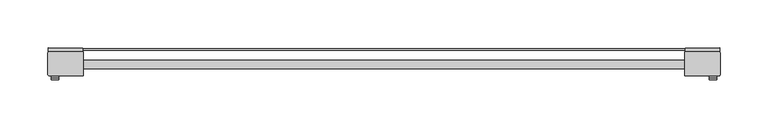
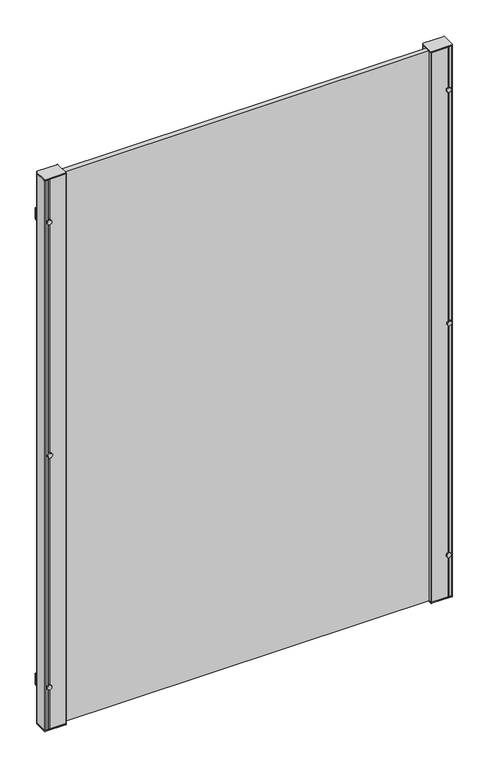
"""IFC4 building model written with IfcOpenShell, lengths in millimetres: railing geometry."""

from ifc_helpers import new_model, si_unit, point, frame, frame_2d, origin, place, context, project, spatial, polyline, circle_curve, trimmed, segment, composite_curve, outline, extrude, source, transform, mapped, element, save
from ifc_brep_helpers import plane_surface, cylinder_surface, advanced_brep


def railing_1e52f471(model_context):
    return source(origin(), model_context, "Body", "SolidModel", [
        extrude(outline(polyline([(-1429.7671701, -5232.6281736), (-1429.7671701, -5234.4918565), (-2099.7671701, -5234.4918565), (-2099.7671701, -5232.6281736), (-1429.7671701, -5232.6281736)])), frame((0.0, 0.0, 500.0), z_axis=(0.0, 0.0, 1.0), x_axis=(1.0, 0.0, 0.0)), (0.0, 0.0, 1.0), 1.1703418),
        extrude(outline(polyline([(-1429.7671701, -5245.2162394), (-1429.7671701, -5253.9762394), (-2099.7671701, -5253.9762394), (-2099.7671701, -5245.2162394), (-1429.7671701, -5245.2162394)])), frame((0.0, 0.0, 500.0), z_axis=(0.0, 0.0, 1.0), x_axis=(1.0, 0.0, 0.0)), (0.0, 0.0, 1.0), 999.0),
        extrude(outline(composite_curve([segment(trimmed(circle_curve(frame_2d((0.0, -4.0)), 4.0), [point((0.0, -8.0))], [point((0.0, 0.0))], False, "CARTESIAN"), True, "CONTINUOUS"), segment(trimmed(circle_curve(frame_2d((0.0, -4.0)), 4.0), [point((0.0, 0.0))], [point((0.0, -8.0))], False, "CARTESIAN"), True, "CONTINUOUS")], self_intersect=False)), frame((-2104.3883274, -5265.0962549, 1000.5851709), z_axis=(-0.007850271526078261, 0.9999691861437366, 0.0), x_axis=(0.0, 0.0, 1.0)), (0.0, 0.0, 1.0), 2.0),
        extrude(outline(composite_curve([segment(trimmed(circle_curve(frame_2d((0.0, -4.0024314)), 4.0024314), [point((0.0, -8.0048629))], [point((0.0, 0.0))], False, "CARTESIAN"), True, "CONTINUOUS"), segment(trimmed(circle_curve(frame_2d((0.0, -4.0024314)), 4.0024314), [point((0.0, 0.0))], [point((0.0, -8.0048629))], False, "CARTESIAN"), True, "CONTINUOUS")], self_intersect=False)), frame((-2112.3909705, -5263.1590181, 577.9289095), z_axis=(-0.007850271526078261, 0.9999691861437366, 0.0), x_axis=(0.0, 0.0, -1.0)), (0.0, 0.0, 1.0), 2.0),
        extrude(outline(polyline([(-2115.5512009, -5232.0860358), (-2079.2383888, -5232.3711101), (-2079.2697899, -5236.3709868), (-2115.582602, -5236.0859126), (-2115.5512009, -5232.0860358)])), frame((0.0, 0.0, 567.9289095), z_axis=(0.0, 0.0, 1.0), x_axis=(1.0, 0.0, 0.0)), (0.0, 0.0, 1.0), 20.0),
        extrude(outline(composite_curve([segment(trimmed(circle_curve(frame_2d((-2079.2671701, -5236.5962394)), 0.5), [point((-2079.4635803, -5236.1364318))], [point((-2078.7671701, -5236.5962394))], False, "CARTESIAN"), True, "CONTINUOUS"), segment(polyline([(-2078.7671701, -5236.5962394), (-2078.7671701, -5260.5962394)]), True, "CONTINUOUS"), segment(trimmed(circle_curve(frame_2d((-2079.2671701, -5260.5962394)), 0.5), [point((-2078.7671701, -5260.5962394))], [point((-2079.2671701, -5261.0962394))], False, "CARTESIAN"), True, "CONTINUOUS"), segment(polyline([(-2079.2671701, -5261.0962394), (-2114.2671701, -5261.0962394)]), True, "CONTINUOUS"), segment(trimmed(circle_curve(frame_2d((-2114.2671701, -5259.5962394)), 1.5), [point((-2114.2671701, -5261.0962394))], [point((-2115.7671701, -5259.5962394))], False, "CARTESIAN"), True, "CONTINUOUS"), segment(polyline([(-2115.7671701, -5259.5962394), (-2115.7671701, -5237.5962394)]), True, "CONTINUOUS"), segment(trimmed(circle_curve(frame_2d((-2114.2671701, -5237.5962394)), 1.5), [point((-2115.7671701, -5237.5962394))], [point((-2114.6120784, -5236.1364318))], False, "CARTESIAN"), True, "CONTINUOUS"), segment(polyline([(-2114.6120784, -5236.1364318), (-2079.4635803, -5236.1364318)]), True, "CONTINUOUS")], self_intersect=False)), frame((0.0, 0.0, 499.1703418), z_axis=(0.0, 0.0, 1.0), x_axis=(1.0, 0.0, 0.0)), (0.0, 0.0, 1.0), 2.0),
        extrude(outline(composite_curve([segment(trimmed(circle_curve(frame_2d((-2079.2671701, -5236.5962394)), 0.5), [point((-2079.4635803, -5236.1364318))], [point((-2078.7671701, -5236.5962394))], False, "CARTESIAN"), True, "CONTINUOUS"), segment(polyline([(-2078.7671701, -5236.5962394), (-2078.7671701, -5260.5962394)]), True, "CONTINUOUS"), segment(trimmed(circle_curve(frame_2d((-2079.2671701, -5260.5962394)), 0.5), [point((-2078.7671701, -5260.5962394))], [point((-2079.2671701, -5261.0962394))], False, "CARTESIAN"), True, "CONTINUOUS"), segment(polyline([(-2079.2671701, -5261.0962394), (-2114.2671701, -5261.0962394)]), True, "CONTINUOUS"), segment(trimmed(circle_curve(frame_2d((-2114.2671701, -5259.5962394)), 1.5), [point((-2114.2671701, -5261.0962394))], [point((-2115.7671701, -5259.5962394))], False, "CARTESIAN"), True, "CONTINUOUS"), segment(polyline([(-2115.7671701, -5259.5962394), (-2115.7671701, -5237.5962394)]), True, "CONTINUOUS"), segment(trimmed(circle_curve(frame_2d((-2114.2671701, -5237.5962394)), 1.5), [point((-2115.7671701, -5237.5962394))], [point((-2114.6120784, -5236.1364318))], False, "CARTESIAN"), True, "CONTINUOUS"), segment(polyline([(-2114.6120784, -5236.1364318), (-2079.4635803, -5236.1364318)]), True, "CONTINUOUS")], self_intersect=False)), frame((0.0, 0.0, 1500.0), z_axis=(0.0, 0.0, 1.0), x_axis=(1.0, 0.0, 0.0)), (0.0, 0.0, 1.0), 2.0),
        extrude(outline(composite_curve([segment(trimmed(circle_curve(frame_2d((0.0, -4.0024314)), 4.0024314), [point((0.0, -8.0048629))], [point((0.0, 0.0))], False, "CARTESIAN"), True, "CONTINUOUS"), segment(trimmed(circle_curve(frame_2d((0.0, -4.0024314)), 4.0024314), [point((0.0, 0.0))], [point((0.0, -8.0048629))], False, "CARTESIAN"), True, "CONTINUOUS")], self_intersect=False)), frame((-2112.3909705, -5263.1590181, 1423.2414322), z_axis=(-0.007850271526078261, 0.9999691861437366, 0.0), x_axis=(0.0, 0.0, -1.0)), (0.0, 0.0, 1.0), 2.0),
        extrude(outline(polyline([(-2115.5512009, -5232.0860358), (-2079.2383888, -5232.3711101), (-2079.2697899, -5236.3709868), (-2115.582602, -5236.0859126), (-2115.5512009, -5232.0860358)])), frame((0.0, 0.0, 1413.2414322), z_axis=(0.0, 0.0, 1.0), x_axis=(1.0, 0.0, 0.0)), (0.0, 0.0, 1.0), 20.0),
        advanced_brep(
        [(-2114.2671701, -5236.0962394, 1500.0), (-2115.7671701, -5237.5962394, 1500.0), (-2115.7671701, -5259.5962394, 1500.0), (-2114.2671701, -5261.0962394, 1500.0), (-2109.1474567, -5261.056047, 1500.0), (-2108.4258335, -5260.3344238, 1500.0), (-2107.2314313, -5261.0962394, 1500.0), (-2079.2671701, -5261.0962394, 1500.0), (-2078.7671701, -5260.5962394, 1500.0), (-2078.7671701, -5253.356133, 1500.0), (-2097.2685442, -5253.356133, 1500.0), (-2097.2685442, -5243.8361331, 1500.0), (-2078.7671701, -5243.8361331, 1500.0), (-2078.7671701, -5236.5962394, 1500.0), (-2079.4635803, -5236.1364318, 1500.0), (-2107.2944464, -5236.1364318, 1500.0), (-2108.4258335, -5236.858055, 1500.0), (-2109.1474567, -5236.1364318, 1500.0), (-2114.2671701, -5236.0962394, 501.1703418), (-2109.2974567, -5236.0962394, 501.1703418), (-2108.4258335, -5236.858055, 501.1703418), (-2107.2314313, -5236.0962394, 501.1703418), (-2079.4635803, -5236.1364318, 501.1703418), (-2078.7671701, -5236.5962394, 501.1703418), (-2078.7671701, -5243.8361331, 501.1703418), (-2097.2685442, -5243.8361331, 501.1703418), (-2097.2685442, -5253.356133, 501.1703418), (-2078.7671701, -5253.356133, 501.1703418), (-2078.7671701, -5260.5962394, 501.1703418), (-2079.2671701, -5261.0962394, 501.1703418), (-2107.2314313, -5261.0962394, 501.1703418), (-2108.4258335, -5260.3344238, 501.1703418), (-2109.1474567, -5261.056047, 501.1703418), (-2114.2671701, -5261.0962394, 501.1703418), (-2115.7671701, -5259.5962394, 501.1703418), (-2115.7671701, -5237.5962394, 501.1703418)],
        [
            (0, 1, circle_curve(frame((-2114.2671701, -5237.5962394, 1500.0), z_axis=(0.0, 0.0, 1.0), x_axis=(-0.00014726895152854884, 0.9999999891559279, 0.0)), 1.5)),
            (1, 2),
            (2, 3, circle_curve(frame((-2114.2671701, -5259.5962394, 1500.0), z_axis=(0.0, 0.0, 1.0), x_axis=(-0.00014726895152854884, 0.9999999891559279, 0.0)), 1.5)),
            (3, 4),
            (4, 5),
            (5, 6),
            (6, 7),
            (7, 8, circle_curve(frame((-2079.2671701, -5260.5962394, 1500.0), z_axis=(0.0, 0.0, 1.0), x_axis=(-0.00014726895152854884, 0.9999999891559279, 0.0)), 0.5)),
            (8, 9),
            (9, 10),
            (10, 11),
            (11, 12),
            (12, 13),
            (13, 14, circle_curve(frame((-2079.2671701, -5236.5962394, 1500.0), z_axis=(0.0, 0.0, 1.0), x_axis=(-0.00014726895152854884, 0.9999999891559279, 0.0)), 0.5)),
            (14, 15),
            (15, 16),
            (16, 17),
            (17, 0),
            (18, 19),
            (19, 20),
            (20, 21),
            (21, 22),
            (22, 23, circle_curve(frame((-2079.2671701, -5236.5962394, 501.1703418), z_axis=(0.0, 0.0, -1.0), x_axis=(-0.00014726895152854884, 0.9999999891559279, 0.0)), 0.5)),
            (23, 24),
            (24, 25),
            (25, 26),
            (26, 27),
            (27, 28),
            (28, 29, circle_curve(frame((-2079.2671701, -5260.5962394, 501.1703418), z_axis=(0.0, 0.0, -1.0), x_axis=(-0.00014726895152854884, 0.9999999891559279, 0.0)), 0.5)),
            (29, 30),
            (30, 31),
            (31, 32),
            (32, 33),
            (33, 34, circle_curve(frame((-2114.2671701, -5259.5962394, 501.1703418), z_axis=(0.0, 0.0, -1.0), x_axis=(-0.00014726895152854884, 0.9999999891559279, 0.0)), 1.5)),
            (34, 35),
            (35, 18, circle_curve(frame((-2114.2671701, -5237.5962394, 501.1703418), z_axis=(0.0, 0.0, -1.0), x_axis=(-0.00014726895152854884, 0.9999999891559279, 0.0)), 1.5)),
            (0, 18),
            (35, 1),
            (34, 2),
            (33, 3),
            (32, 4),
            (31, 5),
            (30, 6),
            (29, 7),
            (28, 8),
            (27, 9),
            (26, 10),
            (25, 11),
            (24, 12),
            (23, 13),
            (22, 14),
            (21, 15),
            (20, 16),
            (19, 17),
        ],
        [
            plane_surface(frame((-2114.267391, -5236.0962394, 1500.0), z_axis=(0.0, 0.0, 1.0), x_axis=(-0.9999999891559279, -0.00014726895152854884, 0.0))),
            plane_surface(frame((-2114.267391, -5236.0962394, 501.1703418), z_axis=(0.0, 0.0, -1.0), x_axis=(0.9999999891559279, 0.00014726895152854884, 0.0))),
            cylinder_surface(frame((-2114.2671701, -5237.5962394, 501.1703418), z_axis=(0.0, 0.0, 1.0), x_axis=(-0.00014726895152854884, 0.9999999891559279, 0.0)), 1.5),
            plane_surface(frame((-2115.7671701, -5237.5962394, 1500.0), z_axis=(-1.0, 1.94835731800318e-12, 0.0), x_axis=(0.0, 0.0, -1.0))),
            cylinder_surface(frame((-2114.2671701, -5259.5962394, 501.1703418), z_axis=(0.0, 0.0, 1.0), x_axis=(-0.00014726895152854884, 0.9999999891559279, 0.0)), 1.5),
            plane_surface(frame((-2114.2671701, -5261.0962394, 1500.0), z_axis=(0.0078502715279108, -0.9999691861437223, 0.0), x_axis=(0.0, 0.0, -1.0))),
            plane_surface(frame((-2109.1474567, -5261.056047, 1500.0), z_axis=(0.7071067811855427, -0.7071067811875524, 0.0), x_axis=(0.0, 0.0, -1.0))),
            plane_surface(frame((-2108.4258335, -5260.3344238, 1500.0), z_axis=(-0.5377501824726431, -0.8431042291737358, 0.0), x_axis=(0.0, 0.0, -1.0))),
            plane_surface(frame((-2107.2314313, -5261.0962394, 1500.0), z_axis=(-1.948453669203234e-12, -1.0, 0.0), x_axis=(0.0, 0.0, -1.0))),
            cylinder_surface(frame((-2079.2671701, -5260.5962394, 501.1703418), z_axis=(0.0, 0.0, 1.0), x_axis=(-0.00014726895152854884, 0.9999999891559279, 0.0)), 0.5),
            plane_surface(frame((-2078.7671701, -5260.5962394, 1500.0), z_axis=(1.0, -1.948567474303127e-12, 0.0), x_axis=(0.0, 0.0, -1.0))),
            plane_surface(frame((-2078.7671701, -5253.356133, 1500.0), z_axis=(1.9483195902456763e-12, 1.0, 0.0), x_axis=(0.0, 0.0, -1.0))),
            plane_surface(frame((-2097.2685442, -5253.356133, 1500.0), z_axis=(1.0, -1.9482559701055203e-12, 0.0), x_axis=(0.0, 0.0, -1.0))),
            plane_surface(frame((-2097.2685442, -5243.8361331, 1500.0), z_axis=(-1.9483481688643955e-12, -1.0, 0.0), x_axis=(0.0, 0.0, -1.0))),
            plane_surface(frame((-2078.7671701, -5243.8361331, 1500.0), z_axis=(1.0, -1.94862440368355e-12, 0.0), x_axis=(0.0, 0.0, -1.0))),
            cylinder_surface(frame((-2079.2671701, -5236.5962394, 501.1703418), z_axis=(0.0, 0.0, 1.0), x_axis=(-0.00014726895152854884, 0.9999999891559279, 0.0)), 0.5),
            plane_surface(frame((-2079.4635803, -5236.1364318, 1500.0), z_axis=(1.9483379258465953e-12, 1.0, 0.0), x_axis=(0.0, 0.0, -1.0))),
            plane_surface(frame((-2107.2314313, -5236.0962394, 1500.0), z_axis=(-0.5377501824702353, 0.8431042291752715, 0.0), x_axis=(0.0, 0.0, -1.0))),
            plane_surface(frame((-2108.4258335, -5236.858055, 1500.0), z_axis=(0.7071067811875602, 0.7071067811855349, 0.0), x_axis=(0.0, 0.0, -1.0))),
            plane_surface(frame((-2109.2974567, -5236.0962394, 1500.0), z_axis=(1.9484396197245913e-12, 1.0, 0.0), x_axis=(0.0, 0.0, -1.0))),
        ],
        [
            (0, [[1, 2, 3, 4, 5, 6, 7, 8, 9, 10, 11, 12, 13, 14, 15, 16, 17, 18]]),
            (1, [[19, 20, 21, 22, 23, 24, 25, 26, 27, 28, 29, 30, 31, 32, 33, 34, 35, 36]]),
            (2, [[-1, 37, -36, 38]]),
            (3, [[-2, -38, -35, 39]]),
            (4, [[-3, -39, -34, 40]]),
            (5, [[-4, -40, -33, 41]]),
            (6, [[-5, -41, -32, 42]]),
            (7, [[-6, -42, -31, 43]]),
            (8, [[-7, -43, -30, 44]]),
            (9, [[-8, -44, -29, 45]]),
            (10, [[-9, -45, -28, 46]]),
            (11, [[-10, -46, -27, 47]]),
            (12, [[-11, -47, -26, 48]]),
            (13, [[-12, -48, -25, 49]]),
            (14, [[-13, -49, -24, 50]]),
            (15, [[-14, -50, -23, 51]]),
            (16, [[-15, -51, -22, 52]]),
            (17, [[-16, -52, -21, 53]]),
            (18, [[-17, -53, -20, 54]]),
            (19, [[-18, -54, -19, -37]]),
        ],
    ),
        extrude(outline(composite_curve([segment(trimmed(circle_curve(frame_2d((0.0, -4.0000001)), 4.0), [point((0.0, -8.0))], [point((0.0, 0.0))], False, "CARTESIAN"), True, "CONTINUOUS"), segment(trimmed(circle_curve(frame_2d((0.0, -4.0000001)), 4.0), [point((0.0, 0.0))], [point((0.0, -8.0))], False, "CARTESIAN"), True, "CONTINUOUS")], self_intersect=False)), frame((-1417.1462594, -5265.1590571, 1000.5851709), z_axis=(0.007850271525604127, 0.9999691861437403, 0.0), x_axis=(0.0, 0.0, 1.0)), (0.0, 0.0, 1.0), 2.0),
        extrude(outline(composite_curve([segment(trimmed(circle_curve(frame_2d((0.0, -4.0024314)), 4.0024314), [point((0.0, -8.0048629))], [point((0.0, 0.0))], False, "CARTESIAN"), True, "CONTINUOUS"), segment(trimmed(circle_curve(frame_2d((0.0, -4.0024314)), 4.0024314), [point((0.0, 0.0))], [point((0.0, -8.0048629))], False, "CARTESIAN"), True, "CONTINUOUS")], self_intersect=False)), frame((-1417.1433698, -5263.1590181, 577.9289095), z_axis=(0.007850271525604127, 0.9999691861437403, 0.0), x_axis=(0.0, 0.0, 1.0)), (0.0, 0.0, 1.0), 2.0),
        extrude(outline(polyline([(-1450.2959515, -5232.3711101), (-1413.9831394, -5232.0860358), (-1413.9517383, -5236.0859126), (-1450.2645504, -5236.3709868), (-1450.2959515, -5232.3711101)])), frame((0.0, 0.0, 567.9289095), z_axis=(0.0, 0.0, 1.0), x_axis=(1.0, 0.0, 0.0)), (0.0, 0.0, 1.0), 20.0),
        extrude(outline(composite_curve([segment(trimmed(circle_curve(frame_2d((0.0, -4.0024314)), 4.0024314), [point((0.0, -8.0048629))], [point((0.0, 0.0))], False, "CARTESIAN"), True, "CONTINUOUS"), segment(trimmed(circle_curve(frame_2d((0.0, -4.0024314)), 4.0024314), [point((0.0, 0.0))], [point((0.0, -8.0048629))], False, "CARTESIAN"), True, "CONTINUOUS")], self_intersect=False)), frame((-1417.1433698, -5263.1590181, 1423.2414322), z_axis=(0.007850271525604127, 0.9999691861437403, 0.0), x_axis=(0.0, 0.0, 1.0)), (0.0, 0.0, 1.0), 2.0),
        extrude(outline(polyline([(-1450.2959515, -5232.3711101), (-1413.9831394, -5232.0860358), (-1413.9517383, -5236.0859126), (-1450.2645504, -5236.3709868), (-1450.2959515, -5232.3711101)])), frame((0.0, 0.0, 1413.2414322), z_axis=(0.0, 0.0, 1.0), x_axis=(1.0, 0.0, 0.0)), (0.0, 0.0, 1.0), 20.0),
        extrude(outline(composite_curve([segment(trimmed(circle_curve(frame_2d((-1450.2671701, -5260.5962394)), 0.5), [point((-1450.07076, -5261.056047))], [point((-1450.7671701, -5260.5962394))], False, "CARTESIAN"), True, "CONTINUOUS"), segment(polyline([(-1450.7671701, -5260.5962394), (-1450.7671701, -5236.5962394)]), True, "CONTINUOUS"), segment(trimmed(circle_curve(frame_2d((-1450.2671701, -5236.5962394)), 0.5), [point((-1450.7671701, -5236.5962394))], [point((-1450.2671701, -5236.0962394))], False, "CARTESIAN"), True, "CONTINUOUS"), segment(polyline([(-1450.2671701, -5236.0962394), (-1415.2671701, -5236.0962394)]), True, "CONTINUOUS"), segment(trimmed(circle_curve(frame_2d((-1415.2671701, -5237.5962394)), 1.5), [point((-1415.2671701, -5236.0962394))], [point((-1413.7671701, -5237.5962394))], False, "CARTESIAN"), True, "CONTINUOUS"), segment(polyline([(-1413.7671701, -5237.5962394), (-1413.7671701, -5259.5962394)]), True, "CONTINUOUS"), segment(trimmed(circle_curve(frame_2d((-1415.2671701, -5259.5962394)), 1.5), [point((-1413.7671701, -5259.5962394))], [point((-1414.9222619, -5261.056047))], False, "CARTESIAN"), True, "CONTINUOUS"), segment(polyline([(-1414.9222619, -5261.056047), (-1450.07076, -5261.056047)]), True, "CONTINUOUS")], self_intersect=False)), frame((0.0, 0.0, 499.1703418), z_axis=(0.0, 0.0, 1.0), x_axis=(1.0, 0.0, 0.0)), (0.0, 0.0, 1.0), 2.0),
        extrude(outline(composite_curve([segment(trimmed(circle_curve(frame_2d((-1450.2671701, -5260.5962394)), 0.5), [point((-1450.07076, -5261.056047))], [point((-1450.7671701, -5260.5962394))], False, "CARTESIAN"), True, "CONTINUOUS"), segment(polyline([(-1450.7671701, -5260.5962394), (-1450.7671701, -5236.5962394)]), True, "CONTINUOUS"), segment(trimmed(circle_curve(frame_2d((-1450.2671701, -5236.5962394)), 0.5), [point((-1450.7671701, -5236.5962394))], [point((-1450.2671701, -5236.0962394))], False, "CARTESIAN"), True, "CONTINUOUS"), segment(polyline([(-1450.2671701, -5236.0962394), (-1415.2671701, -5236.0962394)]), True, "CONTINUOUS"), segment(trimmed(circle_curve(frame_2d((-1415.2671701, -5237.5962394)), 1.5), [point((-1415.2671701, -5236.0962394))], [point((-1413.7671701, -5237.5962394))], False, "CARTESIAN"), True, "CONTINUOUS"), segment(polyline([(-1413.7671701, -5237.5962394), (-1413.7671701, -5259.5962394)]), True, "CONTINUOUS"), segment(trimmed(circle_curve(frame_2d((-1415.2671701, -5259.5962394)), 1.5), [point((-1413.7671701, -5259.5962394))], [point((-1414.9222619, -5261.056047))], False, "CARTESIAN"), True, "CONTINUOUS"), segment(polyline([(-1414.9222619, -5261.056047), (-1450.07076, -5261.056047)]), True, "CONTINUOUS")], self_intersect=False)), frame((0.0, 0.0, 1500.0), z_axis=(0.0, 0.0, 1.0), x_axis=(1.0, 0.0, 0.0)), (0.0, 0.0, 1.0), 2.0),
        advanced_brep(
        [(-1415.2671701, -5261.0962394, 1500.0), (-1413.7671701, -5259.5962394, 1500.0), (-1413.7671701, -5237.5962394, 1500.0), (-1415.2671701, -5236.0962394, 1500.0), (-1420.3868836, -5236.1364318, 1500.0), (-1421.1085068, -5236.858055, 1500.0), (-1422.302909, -5236.0962394, 1500.0), (-1450.2671701, -5236.0962394, 1500.0), (-1450.7671701, -5236.5962394, 1500.0), (-1450.7671701, -5243.8363458, 1500.0), (-1432.2657961, -5243.8363458, 1500.0), (-1432.2657961, -5253.3563457, 1500.0), (-1450.7671701, -5253.3563457, 1500.0), (-1450.7671701, -5260.5962394, 1500.0), (-1450.07076, -5261.056047, 1500.0), (-1422.2398939, -5261.056047, 1500.0), (-1421.1085068, -5260.3344238, 1500.0), (-1420.3868836, -5261.056047, 1500.0), (-1415.2671701, -5261.0962394, 501.1703418), (-1420.2368836, -5261.0962394, 501.1703418), (-1421.1085068, -5260.3344238, 501.1703418), (-1422.302909, -5261.0962394, 501.1703418), (-1450.07076, -5261.056047, 501.1703418), (-1450.7671701, -5260.5962394, 501.1703418), (-1450.7671701, -5253.3563457, 501.1703418), (-1432.2657961, -5253.3563457, 501.1703418), (-1432.2657961, -5243.8363458, 501.1703418), (-1450.7671701, -5243.8363458, 501.1703418), (-1450.7671701, -5236.5962394, 501.1703418), (-1450.2671701, -5236.0962394, 501.1703418), (-1422.302909, -5236.0962394, 501.1703418), (-1421.1085068, -5236.858055, 501.1703418), (-1420.3868836, -5236.1364318, 501.1703418), (-1415.2671701, -5236.0962394, 501.1703418), (-1413.7671701, -5237.5962394, 501.1703418), (-1413.7671701, -5259.5962394, 501.1703418)],
        [
            (0, 1, circle_curve(frame((-1415.2671701, -5259.5962394, 1500.0), z_axis=(0.0, 0.0, 1.0), x_axis=(0.00014726895103193464, -0.999999989155928, 0.0)), 1.5)),
            (1, 2),
            (2, 3, circle_curve(frame((-1415.2671701, -5237.5962394, 1500.0), z_axis=(0.0, 0.0, 1.0), x_axis=(0.00014726895103193464, -0.999999989155928, 0.0)), 1.5)),
            (3, 4),
            (4, 5),
            (5, 6),
            (6, 7),
            (7, 8, circle_curve(frame((-1450.2671701, -5236.5962394, 1500.0), z_axis=(0.0, 0.0, 1.0), x_axis=(0.00014726895103193464, -0.999999989155928, 0.0)), 0.5)),
            (8, 9),
            (9, 10),
            (10, 11),
            (11, 12),
            (12, 13),
            (13, 14, circle_curve(frame((-1450.2671701, -5260.5962394, 1500.0), z_axis=(0.0, 0.0, 1.0), x_axis=(0.00014726895103193464, -0.999999989155928, 0.0)), 0.5)),
            (14, 15),
            (15, 16),
            (16, 17),
            (17, 0),
            (18, 19),
            (19, 20),
            (20, 21),
            (21, 22),
            (22, 23, circle_curve(frame((-1450.2671701, -5260.5962394, 501.1703418), z_axis=(0.0, 0.0, -1.0), x_axis=(0.00014726895103193464, -0.999999989155928, 0.0)), 0.5)),
            (23, 24),
            (24, 25),
            (25, 26),
            (26, 27),
            (27, 28),
            (28, 29, circle_curve(frame((-1450.2671701, -5236.5962394, 501.1703418), z_axis=(0.0, 0.0, -1.0), x_axis=(0.00014726895103193464, -0.999999989155928, 0.0)), 0.5)),
            (29, 30),
            (30, 31),
            (31, 32),
            (32, 33),
            (33, 34, circle_curve(frame((-1415.2671701, -5237.5962394, 501.1703418), z_axis=(0.0, 0.0, -1.0), x_axis=(0.00014726895103193464, -0.999999989155928, 0.0)), 1.5)),
            (34, 35),
            (35, 18, circle_curve(frame((-1415.2671701, -5259.5962394, 501.1703418), z_axis=(0.0, 0.0, -1.0), x_axis=(0.00014726895103193464, -0.999999989155928, 0.0)), 1.5)),
            (0, 18),
            (35, 1),
            (34, 2),
            (33, 3),
            (32, 4),
            (31, 5),
            (30, 6),
            (29, 7),
            (28, 8),
            (27, 9),
            (26, 10),
            (25, 11),
            (24, 12),
            (23, 13),
            (22, 14),
            (21, 15),
            (20, 16),
            (19, 17),
        ],
        [
            plane_surface(frame((-1415.2669492, -5261.0962394, 1500.0), z_axis=(0.0, 0.0, 1.0), x_axis=(0.999999989155928, 0.00014726895103193464, 0.0))),
            plane_surface(frame((-1415.2669492, -5261.0962394, 501.1703418), z_axis=(0.0, 0.0, -1.0), x_axis=(-0.999999989155928, -0.00014726895103193464, 0.0))),
            cylinder_surface(frame((-1415.2671701, -5259.5962394, 501.1703418), z_axis=(0.0, 0.0, 1.0), x_axis=(0.00014726895103193464, -0.999999989155928, 0.0)), 1.5),
            plane_surface(frame((-1413.7671701, -5259.5962394, 1500.0), z_axis=(1.0, -2.444981694481874e-12, 0.0), x_axis=(0.0, 0.0, -1.0))),
            cylinder_surface(frame((-1415.2671701, -5237.5962394, 501.1703418), z_axis=(0.0, 0.0, 1.0), x_axis=(0.00014726895103193464, -0.999999989155928, 0.0)), 1.5),
            plane_surface(frame((-1415.2671701, -5236.0962394, 1500.0), z_axis=(-0.007850271527414115, 0.9999691861437261, 0.0), x_axis=(0.0, 0.0, -1.0))),
            plane_surface(frame((-1420.3868836, -5236.1364318, 1500.0), z_axis=(-0.7071067811851909, 0.7071067811879042, 0.0), x_axis=(0.0, 0.0, -1.0))),
            plane_surface(frame((-1421.1085068, -5236.858055, 1500.0), z_axis=(0.5377501824730594, 0.8431042291734703, 0.0), x_axis=(0.0, 0.0, -1.0))),
            plane_surface(frame((-1422.302909, -5236.0962394, 1500.0), z_axis=(2.4451247537407792e-12, 1.0, 0.0), x_axis=(0.0, 0.0, -1.0))),
            cylinder_surface(frame((-1450.2671701, -5236.5962394, 501.1703418), z_axis=(0.0, 0.0, 1.0), x_axis=(0.00014726895103193464, -0.999999989155928, 0.0)), 0.5),
            plane_surface(frame((-1450.7671701, -5236.5962394, 1500.0), z_axis=(-1.0, 2.445170295029391e-12, 0.0), x_axis=(0.0, 0.0, -1.0))),
            plane_surface(frame((-1450.7671701, -5243.8363458, 1500.0), z_axis=(-2.4449302477244737e-12, -1.0, 0.0), x_axis=(0.0, 0.0, -1.0))),
            plane_surface(frame((-1432.2657961, -5243.8363458, 1500.0), z_axis=(-1.0, 2.445008472917e-12, 0.0), x_axis=(0.0, 0.0, -1.0))),
            plane_surface(frame((-1432.2657961, -5253.3563457, 1500.0), z_axis=(2.444958826343193e-12, 1.0, 0.0), x_axis=(0.0, 0.0, -1.0))),
            plane_surface(frame((-1450.7671701, -5253.3563457, 1500.0), z_axis=(-1.0, 2.4452418172847726e-12, 0.0), x_axis=(0.0, 0.0, -1.0))),
            cylinder_surface(frame((-1450.2671701, -5260.5962394, 501.1703418), z_axis=(0.0, 0.0, 1.0), x_axis=(0.00014726895103193464, -0.999999989155928, 0.0)), 0.5),
            plane_surface(frame((-1450.07076, -5261.056047, 1500.0), z_axis=(-2.4449521271388803e-12, -1.0, 0.0), x_axis=(0.0, 0.0, -1.0))),
            plane_surface(frame((-1422.302909, -5261.0962394, 1500.0), z_axis=(0.5377501824698172, -0.8431042291755381, 0.0), x_axis=(0.0, 0.0, -1.0))),
            plane_surface(frame((-1421.1085068, -5260.3344238, 1500.0), z_axis=(-0.7071067811879114, -0.7071067811851838, 0.0), x_axis=(0.0, 0.0, -1.0))),
            plane_surface(frame((-1420.2368836, -5261.0962394, 1500.0), z_axis=(-2.445083077136548e-12, -1.0, 0.0), x_axis=(0.0, 0.0, -1.0))),
        ],
        [
            (0, [[1, 2, 3, 4, 5, 6, 7, 8, 9, 10, 11, 12, 13, 14, 15, 16, 17, 18]]),
            (1, [[19, 20, 21, 22, 23, 24, 25, 26, 27, 28, 29, 30, 31, 32, 33, 34, 35, 36]]),
            (2, [[-1, 37, -36, 38]]),
            (3, [[-2, -38, -35, 39]]),
            (4, [[-3, -39, -34, 40]]),
            (5, [[-4, -40, -33, 41]]),
            (6, [[-5, -41, -32, 42]]),
            (7, [[-6, -42, -31, 43]]),
            (8, [[-7, -43, -30, 44]]),
            (9, [[-8, -44, -29, 45]]),
            (10, [[-9, -45, -28, 46]]),
            (11, [[-10, -46, -27, 47]]),
            (12, [[-11, -47, -26, 48]]),
            (13, [[-12, -48, -25, 49]]),
            (14, [[-13, -49, -24, 50]]),
            (15, [[-14, -50, -23, 51]]),
            (16, [[-15, -51, -22, 52]]),
            (17, [[-16, -52, -21, 53]]),
            (18, [[-17, -53, -20, 54]]),
            (19, [[-18, -54, -19, -37]]),
        ],
    ),
    ])


if __name__ == "__main__":
    model = new_model("IFC4")
    model_context = context("Model", 3, world=origin())
    ifc_project = project(units=[si_unit("LENGTHUNIT", "METRE", prefix="MILLI")], contexts=[model_context])
    site = spatial("IfcSite", under=ifc_project)
    building = spatial("IfcBuilding", under=site)
    placement = place(None, origin())
    railing_shape = railing_1e52f471(model_context)
    element("IfcRailing", 1, at=placement, inside=building, context=model_context, shape_type="MappedRepresentation", body=[
        mapped(railing_shape, transform((0.0, 0.0, 0.0), x_axis=(1.0, 0.0, 0.0), y_axis=(0.0, 1.0, 0.0), z_axis=(0.0, 0.0, 1.0))),
    ])
    save(model, "model.ifc")
